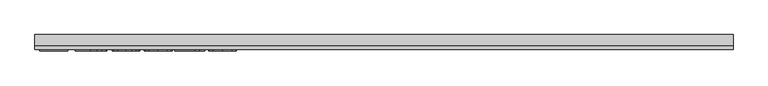
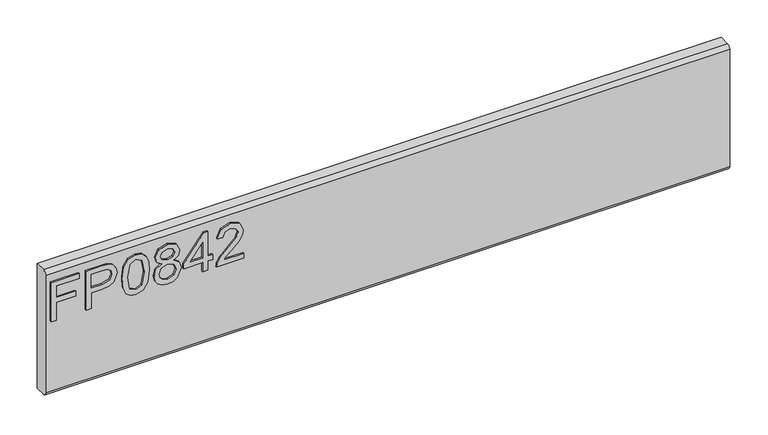
"""IFC4 building model written with IfcOpenShell, lengths in millimetres: furniture geometry."""

from ifc_helpers import new_model, si_unit, frame, origin, place, context, project, spatial, polyline, circle_curve, outline, extrude, source, transform, mapped, element, save
from ifc_brep_helpers import plane_surface, cylinder_surface, advanced_brep


def furniture_7131f92f(model_context):
    return source(origin(), model_context, "Body", "SolidModel", [
        extrude(outline(polyline([(273.05, -520.0729953), (273.05, -512.0992757), (301.9547336, -512.0992757), (301.9547336, -482.1978271), (309.9284532, -482.1978271), (309.9284532, -512.0992757), (328.8660373, -512.0992757), (328.8660373, -477.2142524), (336.8397569, -477.2142524), (336.8397569, -520.0729953), (273.05, -520.0729953)])), frame((0.0, -15.0812439, 0.0), z_axis=(0.0, 1.0, 0.0), x_axis=(0.0, 0.0, 1.0)), (0.0, 0.0, 1.0), 2.38125),
        extrude(outline(polyline([(273.05, -466.2503879), (273.05, -458.2766683), (298.9645888, -458.2766683), (298.9645888, -442.0644766), (300.374006, -430.7365776), (304.6022577, -423.5395948), (318.3849567, -418.4080702), (327.082852, -420.3080581), (333.2500257, -425.330567), (336.2323838, -433.0784684), (336.8397569, -442.6095551), (336.8397569, -466.2503879), (273.05, -466.2503879)]), holes=[polyline([(306.9383084, -458.2766683), (328.8660373, -458.2766683), (328.8660373, -441.7841506), (328.3209588, -433.8104309), (324.7078671, -428.4297276), (318.1046306, -426.3817898), (309.8661585, -429.8547185), (306.9383084, -441.5972665), (306.9383084, -458.2766683)])]), frame((0.0, -15.0812439, 0.0), z_axis=(0.0, 1.0, 0.0), x_axis=(0.0, 0.0, 1.0)), (0.0, 0.0, 1.0), 2.38125),
        extrude(outline(polyline([(304.4309473, -410.4343506), (288.9156775, -408.8458361), (278.1270168, -404.0802928), (273.571718, -397.7885296), (272.053285, -389.5033366), (275.5495742, -377.8308701), (286.1552443, -370.8927996), (304.4309473, -368.5723226), (319.4206058, -370.020674), (328.8582505, -373.7583551), (334.7840324, -380.1902813), (336.8397569, -389.5033366), (333.3668283, -401.1290821), (322.7845188, -408.0905131), (304.4309473, -410.4343506)]), holes=[polyline([(304.446521, -402.460631), (324.5988514, -398.5983605), (328.8660373, -389.5967786), (324.0226256, -380.1591339), (304.446521, -376.5460422), (284.6601718, -380.2837233), (280.0270047, -389.5033366), (284.6445982, -398.7229499), (304.446521, -402.460631)])]), frame((0.0, -15.0812439, 0.0), z_axis=(0.0, 1.0, 0.0), x_axis=(0.0, 0.0, 1.0)), (0.0, 0.0, 1.0), 2.38125),
        extrude(outline(polyline([(308.1842021, -349.9773593), (302.3907964, -358.5740257), (291.8318474, -361.5953179), (284.0742125, -360.1547533), (277.7143145, -355.8330596), (273.4685424, -349.1597415), (272.053285, -340.6643039), (273.4627023, -332.1688663), (277.690954, -325.4955482), (291.613816, -319.7332899), (301.9313731, -322.6377796), (308.1842021, -331.1176435), (313.113269, -324.0549837), (320.6275653, -321.7267198), (332.1209346, -326.9594733), (336.8397569, -340.7733196), (332.2299503, -354.4625765), (320.8455967, -359.601888), (313.1366295, -357.2424768), (308.1842021, -349.9773593)]), holes=[polyline([(320.6119916, -351.6281684), (326.4365446, -348.7548261), (328.8660373, -340.6643039), (326.3820368, -332.5971423), (320.2537972, -329.7004395), (314.3358022, -332.5037003), (311.9218831, -340.5708619), (314.3513758, -348.8015471), (320.6119916, -351.6281684)]), polyline([(292.1121735, -353.6215983), (300.5686769, -350.2498985), (303.9481635, -340.8667617), (300.5219559, -331.2110856), (291.8629947, -327.7070095), (283.3675571, -331.1020699), (280.0270047, -340.6020092), (281.6155191, -347.5790139), (286.1085232, -352.2900494), (292.1121735, -353.6215983)])]), frame((0.0, -15.0812439, 0.0), z_axis=(0.0, 1.0, 0.0), x_axis=(0.0, 0.0, 1.0)), (0.0, 0.0, 1.0), 2.38125),
        extrude(outline(polyline([(273.05, -286.8416965), (273.05, -278.8679769), (288.0007243, -278.8679769), (288.0007243, -270.8942573), (295.9744439, -270.8942573), (295.9744439, -278.8679769), (335.843042, -278.8679769), (335.843042, -284.8482666), (295.9744439, -315.7464301), (288.0007243, -315.7464301), (288.0007243, -286.8416965), (273.05, -286.8416965)]), holes=[polyline([(295.9744439, -286.8416965), (295.9744439, -305.9350173), (320.6119916, -286.8416965), (295.9744439, -286.8416965)])]), frame((0.0, -15.0812439, 0.0), z_axis=(0.0, 1.0, 0.0), x_axis=(0.0, 0.0, 1.0)), (0.0, 0.0, 1.0), 2.38125),
        extrude(outline(polyline([(281.0237196, -223.0519396), (281.0237196, -254.3705922), (285.0806609, -250.7730742), (292.750694, -241.6001819), (303.6756243, -230.1768941), (311.4936072, -225.4658586), (319.0546245, -224.0486545), (331.7315928, -229.3047685), (336.8397569, -243.5780381), (332.245524, -257.8045867), (318.8988878, -263.9172526), (317.9021729, -255.943533), (325.9537608, -252.5874069), (328.8660373, -243.7493485), (325.8836793, -235.2694846), (318.5718407, -232.0223741), (309.5391115, -235.4641554), (296.25477, -249.2312807), (287.0117962, -259.2140039), (278.5475059, -264.0574156), (273.05, -264.9139676), (273.05, -223.0519396), (281.0237196, -223.0519396)])), frame((0.0, -15.0812439, 0.0), z_axis=(0.0, 1.0, 0.0), x_axis=(0.0, 0.0, 1.0)), (0.0, 0.0, 1.0), 2.38125),
        advanced_brep(
        [(527.05, 9.5250061, 355.6), (527.05, -6.7309939, 355.6), (527.05, -12.6999939, 349.631), (527.05, -12.6999939, 158.369), (527.05, -6.7309939, 152.4), (527.05, 9.5250061, 152.4), (-527.05, 9.5250061, 355.6), (-527.05, 9.5250061, 152.4), (-527.05, -6.7309939, 152.4), (-527.05, -12.6999939, 158.369), (-527.05, -12.6999939, 349.6310121), (-527.05, -6.7309939, 355.6)],
        [
            (0, 1),
            (1, 2, circle_curve(frame((527.05, -6.7309939, 349.631), z_axis=(1.0, 0.0, 0.0), x_axis=(0.0, 1.0, 0.0)), 5.969)),
            (2, 3),
            (3, 4, circle_curve(frame((527.05, -6.7309939, 158.369), z_axis=(1.0, 0.0, 0.0), x_axis=(0.0, 1.0, 0.0)), 5.969)),
            (4, 5),
            (5, 0),
            (6, 7),
            (7, 8),
            (8, 9, circle_curve(frame((-527.05, -6.7309939, 158.369), z_axis=(-1.0, 0.0, 0.0), x_axis=(0.0, 1.0, 0.0)), 5.969)),
            (9, 10),
            (10, 11, circle_curve(frame((-527.05, -6.7309939, 349.631), z_axis=(-1.0, 0.0, 0.0), x_axis=(0.0, 1.0, 0.0)), 5.969)),
            (11, 6),
            (0, 6),
            (11, 1),
            (10, 2),
            (9, 3),
            (8, 4),
            (7, 5),
        ],
        [
            plane_surface(frame((527.05, -6.7309939, 355.6), z_axis=(1.0, 0.0, 0.0), x_axis=(0.0, -1.0, 0.0))),
            plane_surface(frame((-527.05, -6.7309939, 355.6), z_axis=(-1.0, 0.0, 0.0), x_axis=(0.0, 1.0, 0.0))),
            plane_surface(frame((527.05, 9.5250061, 355.6), z_axis=(0.0, 0.0, 1.0), x_axis=(-1.0, 0.0, 0.0))),
            cylinder_surface(frame((-527.05, -6.7309939, 349.631), z_axis=(1.0, 0.0, 0.0), x_axis=(0.0, 1.0, 0.0)), 5.969),
            plane_surface(frame((527.05, -12.6999939, 349.6310121), z_axis=(0.0, -1.0, 0.0), x_axis=(-1.0, 0.0, 0.0))),
            cylinder_surface(frame((-527.05, -6.7309939, 158.369), z_axis=(1.0, 0.0, 0.0), x_axis=(0.0, 1.0, 0.0)), 5.969),
            plane_surface(frame((527.05, -6.7309939, 152.4), z_axis=(0.0, 0.0, -1.0), x_axis=(-1.0, 0.0, 0.0))),
            plane_surface(frame((527.05, 9.5250061, 152.4), z_axis=(0.0, 1.0, 0.0), x_axis=(-1.0, 0.0, 0.0))),
        ],
        [
            (0, [[1, 2, 3, 4, 5, 6]]),
            (1, [[7, 8, 9, 10, 11, 12]]),
            (2, [[-1, 13, -12, 14]]),
            (3, [[-2, -14, -11, 15]]),
            (4, [[-3, -15, -10, 16]]),
            (5, [[-4, -16, -9, 17]]),
            (6, [[-5, -17, -8, 18]]),
            (7, [[-6, -18, -7, -13]]),
        ],
    ),
    ])


if __name__ == "__main__":
    model = new_model("IFC4")
    model_context = context("Model", 3, world=origin())
    ifc_project = project(units=[si_unit("LENGTHUNIT", "METRE", prefix="MILLI")], contexts=[model_context])
    site = spatial("IfcSite", under=ifc_project)
    building = spatial("IfcBuilding", under=site)
    placement = place(None, origin())
    furniture_shape = furniture_7131f92f(model_context)
    element("IfcFurniture", 1, at=placement, inside=building, context=model_context, shape_type="MappedRepresentation", body=[
        mapped(furniture_shape, transform((0.0, 0.0, 0.0), x_axis=(1.0, 0.0, 0.0), y_axis=(0.0, 1.0, 0.0), z_axis=(0.0, 0.0, 1.0))),
    ])
    save(model, "model.ifc")
